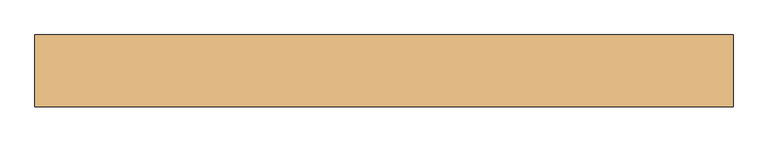
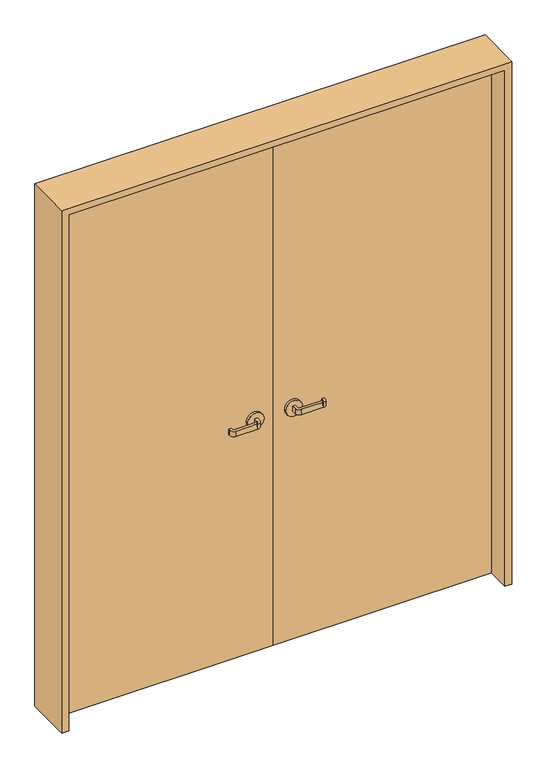
"""IFC4 building model written with IfcOpenShell, lengths in millimetres: door geometry."""

from ifc_helpers import new_model, si_unit, point, frame, frame_2d, origin, origin_with_axes, place, context, project, spatial, polyline, circle_curve, trimmed, segment, composite_curve, outline, extrude, source, transform, mapped, element, save


def door_298ce04c(model_context):
    return source(origin(), model_context, "Body", "SweptSolid", [
        extrude(outline(polyline([(791.5283918, 40.0), (791.5283918, 0.0), (-8.4716082, 0.0), (-8.4716082, 40.0), (791.5283918, 40.0)])), origin_with_axes(), (0.0, 0.0, 1.0), 2000.0),
        extrude(outline(polyline([(-8.4716082, 40.0), (-8.4716082, 0.0), (-808.4716082, 0.0), (-808.4716082, 40.0), (-8.4716082, 40.0)])), origin_with_axes(), (0.0, 0.0, 1.0), 2000.0),
        extrude(outline(composite_curve([segment(polyline([(-83.4716082, 50.0), (-83.4716082, 65.0)]), True, "CONTINUOUS"), segment(trimmed(circle_curve(frame_2d((-88.4716082, 65.0)), 5.0), [point((-83.4716082, 65.0))], [point((-88.4716082, 70.0))], True, "CARTESIAN"), True, "CONTINUOUS"), segment(polyline([(-88.4716082, 70.0), (-168.4716082, 70.0)]), True, "CONTINUOUS"), segment(trimmed(circle_curve(frame_2d((-168.4716082, 65.0)), 5.0), [point((-168.4716082, 70.0))], [point((-173.4716082, 65.0))], True, "CARTESIAN"), True, "CONTINUOUS"), segment(polyline([(-173.4716082, 65.0), (-173.4716082, 60.0), (-183.4716082, 60.0), (-183.4716082, 65.0)]), True, "CONTINUOUS"), segment(trimmed(circle_curve(frame_2d((-168.4716082, 65.0)), 15.0), [point((-183.4716082, 65.0))], [point((-168.4716082, 80.0))], False, "CARTESIAN"), True, "CONTINUOUS"), segment(polyline([(-168.4716082, 80.0), (-88.4716082, 80.0)]), True, "CONTINUOUS"), segment(trimmed(circle_curve(frame_2d((-88.4716082, 65.0)), 15.0), [point((-88.4716082, 80.0))], [point((-73.4716082, 65.0))], False, "CARTESIAN"), True, "CONTINUOUS"), segment(polyline([(-73.4716082, 65.0), (-73.4716082, 50.0), (-83.4716082, 50.0)]), True, "CONTINUOUS")], self_intersect=False)), frame((0.0, 0.0, 890.0), z_axis=(0.0, 0.0, 1.0), x_axis=(1.0, 0.0, 0.0)), (0.0, 0.0, 1.0), 20.0),
        extrude(outline(composite_curve([segment(trimmed(circle_curve(frame_2d((900.0, -78.4716082)), 30.0), [point((900.0, -48.4716082))], [point((900.0, -108.4716082))], False, "CARTESIAN"), True, "CONTINUOUS"), segment(trimmed(circle_curve(frame_2d((900.0, -78.4716082)), 30.0), [point((900.0, -108.4716082))], [point((900.0, -48.4716082))], False, "CARTESIAN"), True, "CONTINUOUS")], self_intersect=False)), frame((0.0, 40.0, 0.0), z_axis=(0.0, 1.0, 0.0), x_axis=(0.0, 0.0, 1.0)), (0.0, 0.0, 1.0), 10.0),
        extrude(outline(composite_curve([segment(polyline([(-73.4716082, -10.0), (-73.4716082, -25.0)]), True, "CONTINUOUS"), segment(trimmed(circle_curve(frame_2d((-88.4716082, -25.0)), 15.0), [point((-73.4716082, -25.0))], [point((-88.4716082, -40.0))], False, "CARTESIAN"), True, "CONTINUOUS"), segment(polyline([(-88.4716082, -40.0), (-168.4716082, -40.0)]), True, "CONTINUOUS"), segment(trimmed(circle_curve(frame_2d((-168.4716082, -25.0)), 15.0), [point((-168.4716082, -40.0))], [point((-183.4716082, -25.0))], False, "CARTESIAN"), True, "CONTINUOUS"), segment(polyline([(-183.4716082, -25.0), (-183.4716082, -20.0), (-173.4716082, -20.0), (-173.4716082, -25.0)]), True, "CONTINUOUS"), segment(trimmed(circle_curve(frame_2d((-168.4716082, -25.0)), 5.0), [point((-173.4716082, -25.0))], [point((-168.4716082, -30.0))], True, "CARTESIAN"), True, "CONTINUOUS"), segment(polyline([(-168.4716082, -30.0), (-88.4716082, -30.0)]), True, "CONTINUOUS"), segment(trimmed(circle_curve(frame_2d((-88.4716082, -25.0)), 5.0), [point((-88.4716082, -30.0))], [point((-83.4716082, -25.0))], True, "CARTESIAN"), True, "CONTINUOUS"), segment(polyline([(-83.4716082, -25.0), (-83.4716082, -10.0), (-73.4716082, -10.0)]), True, "CONTINUOUS")], self_intersect=False)), frame((0.0, 0.0, 890.0), z_axis=(0.0, 0.0, 1.0), x_axis=(1.0, 0.0, 0.0)), (0.0, 0.0, 1.0), 20.0),
        extrude(outline(composite_curve([segment(trimmed(circle_curve(frame_2d((900.0, -78.4716082)), 30.0), [point((900.0, -48.4716082))], [point((900.0, -108.4716082))], False, "CARTESIAN"), True, "CONTINUOUS"), segment(trimmed(circle_curve(frame_2d((900.0, -78.4716082)), 30.0), [point((900.0, -108.4716082))], [point((900.0, -48.4716082))], False, "CARTESIAN"), True, "CONTINUOUS")], self_intersect=False)), frame((0.0, -10.0, 0.0), z_axis=(0.0, 1.0, 0.0), x_axis=(0.0, 0.0, 1.0)), (0.0, 0.0, 1.0), 10.0),
        extrude(outline(composite_curve([segment(polyline([(66.5283918, 50.0), (56.5283918, 50.0), (56.5283918, 65.0)]), True, "CONTINUOUS"), segment(trimmed(circle_curve(frame_2d((71.5283918, 65.0)), 15.0), [point((56.5283918, 65.0))], [point((71.5283918, 80.0))], False, "CARTESIAN"), True, "CONTINUOUS"), segment(polyline([(71.5283918, 80.0), (151.5283918, 80.0)]), True, "CONTINUOUS"), segment(trimmed(circle_curve(frame_2d((151.5283918, 65.0)), 15.0), [point((151.5283918, 80.0))], [point((166.5283918, 65.0))], False, "CARTESIAN"), True, "CONTINUOUS"), segment(polyline([(166.5283918, 65.0), (166.5283918, 60.0), (156.5283918, 60.0), (156.5283918, 65.0)]), True, "CONTINUOUS"), segment(trimmed(circle_curve(frame_2d((151.5283918, 65.0)), 5.0), [point((156.5283918, 65.0))], [point((151.5283918, 70.0))], True, "CARTESIAN"), True, "CONTINUOUS"), segment(polyline([(151.5283918, 70.0), (71.5283918, 70.0)]), True, "CONTINUOUS"), segment(trimmed(circle_curve(frame_2d((71.5283918, 65.0)), 5.0), [point((71.5283918, 70.0))], [point((66.5283918, 65.0))], True, "CARTESIAN"), True, "CONTINUOUS"), segment(polyline([(66.5283918, 65.0), (66.5283918, 50.0)]), True, "CONTINUOUS")], self_intersect=False)), frame((0.0, 0.0, 890.0), z_axis=(0.0, 0.0, 1.0), x_axis=(1.0, 0.0, 0.0)), (0.0, 0.0, 1.0), 20.0),
        extrude(outline(composite_curve([segment(trimmed(circle_curve(frame_2d((900.0, 61.5283918)), 30.0), [point((900.0, 31.5283918))], [point((900.0, 91.5283918))], False, "CARTESIAN"), True, "CONTINUOUS"), segment(trimmed(circle_curve(frame_2d((900.0, 61.5283918)), 30.0), [point((900.0, 91.5283918))], [point((900.0, 31.5283918))], False, "CARTESIAN"), True, "CONTINUOUS")], self_intersect=False)), frame((0.0, 40.0, 0.0), z_axis=(0.0, 1.0, 0.0), x_axis=(0.0, 0.0, 1.0)), (0.0, 0.0, 1.0), 10.0),
        extrude(outline(composite_curve([segment(polyline([(56.5283918, -10.0), (66.5283918, -10.0), (66.5283918, -25.0)]), True, "CONTINUOUS"), segment(trimmed(circle_curve(frame_2d((71.5283918, -25.0)), 5.0), [point((66.5283918, -25.0))], [point((71.5283918, -30.0))], True, "CARTESIAN"), True, "CONTINUOUS"), segment(polyline([(71.5283918, -30.0), (151.5283918, -30.0)]), True, "CONTINUOUS"), segment(trimmed(circle_curve(frame_2d((151.5283918, -25.0)), 5.0), [point((151.5283918, -30.0))], [point((156.5283918, -25.0))], True, "CARTESIAN"), True, "CONTINUOUS"), segment(polyline([(156.5283918, -25.0), (156.5283918, -20.0), (166.5283918, -20.0), (166.5283918, -25.0)]), True, "CONTINUOUS"), segment(trimmed(circle_curve(frame_2d((151.5283918, -25.0)), 15.0), [point((166.5283918, -25.0))], [point((151.5283918, -40.0))], False, "CARTESIAN"), True, "CONTINUOUS"), segment(polyline([(151.5283918, -40.0), (71.5283918, -40.0)]), True, "CONTINUOUS"), segment(trimmed(circle_curve(frame_2d((71.5283918, -25.0)), 15.0), [point((71.5283918, -40.0))], [point((56.5283918, -25.0))], False, "CARTESIAN"), True, "CONTINUOUS"), segment(polyline([(56.5283918, -25.0), (56.5283918, -10.0)]), True, "CONTINUOUS")], self_intersect=False)), frame((0.0, 0.0, 890.0), z_axis=(0.0, 0.0, 1.0), x_axis=(1.0, 0.0, 0.0)), (0.0, 0.0, 1.0), 20.0),
        extrude(outline(composite_curve([segment(trimmed(circle_curve(frame_2d((900.0, 61.5283918)), 30.0), [point((900.0, 31.5283918))], [point((900.0, 91.5283918))], False, "CARTESIAN"), True, "CONTINUOUS"), segment(trimmed(circle_curve(frame_2d((900.0, 61.5283918)), 30.0), [point((900.0, 91.5283918))], [point((900.0, 31.5283918))], False, "CARTESIAN"), True, "CONTINUOUS")], self_intersect=False)), frame((0.0, -10.0, 0.0), z_axis=(0.0, 1.0, 0.0), x_axis=(0.0, 0.0, 1.0)), (0.0, 0.0, 1.0), 10.0),
        extrude(outline(polyline([(0.0, -833.4716082), (0.0, -808.4716082), (2000.0, -808.4716082), (2000.0, 791.5283918), (0.0, 791.5283918), (0.0, 816.5283918), (2025.0, 816.5283918), (2025.0, -833.4716082), (0.0, -833.4716082)])), frame((0.0, -85.0, 0.0), z_axis=(0.0, 1.0, 0.0), x_axis=(0.0, 0.0, 1.0)), (0.0, 0.0, 1.0), 170.0),
    ])


if __name__ == "__main__":
    model = new_model("IFC4")
    model_context = context("Model", 3, world=origin())
    ifc_project = project(units=[si_unit("LENGTHUNIT", "METRE", prefix="MILLI")], contexts=[model_context])
    site = spatial("IfcSite", under=ifc_project)
    building = spatial("IfcBuilding", under=site)
    placement = place(None, origin())
    door_shape = door_298ce04c(model_context)
    element("IfcDoor", 1, at=placement, inside=building, context=model_context, shape_type="MappedRepresentation", body=[
        mapped(door_shape, transform((0.0, 0.0, 0.0), x_axis=(1.0, 0.0, 0.0), y_axis=(0.0, 1.0, 0.0), z_axis=(0.0, 0.0, 1.0))),
    ])
    save(model, "model.ifc")
